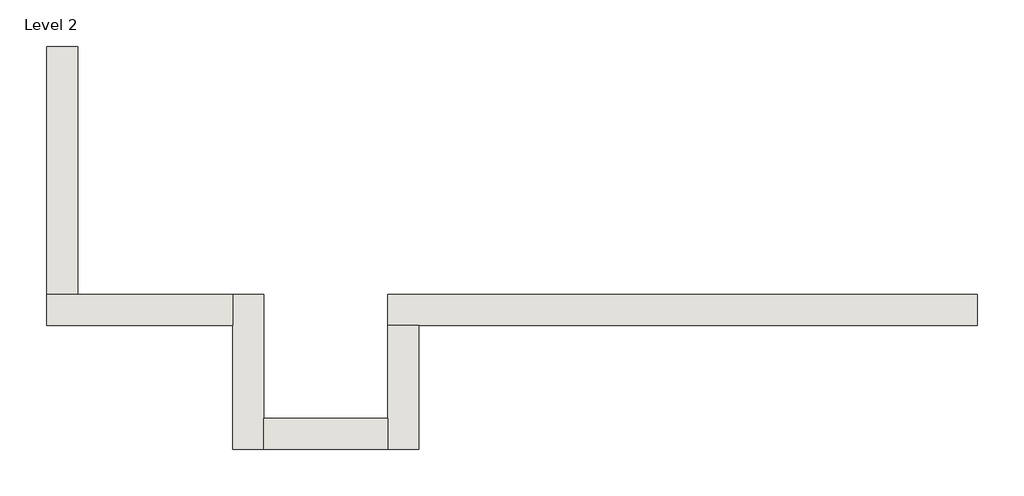
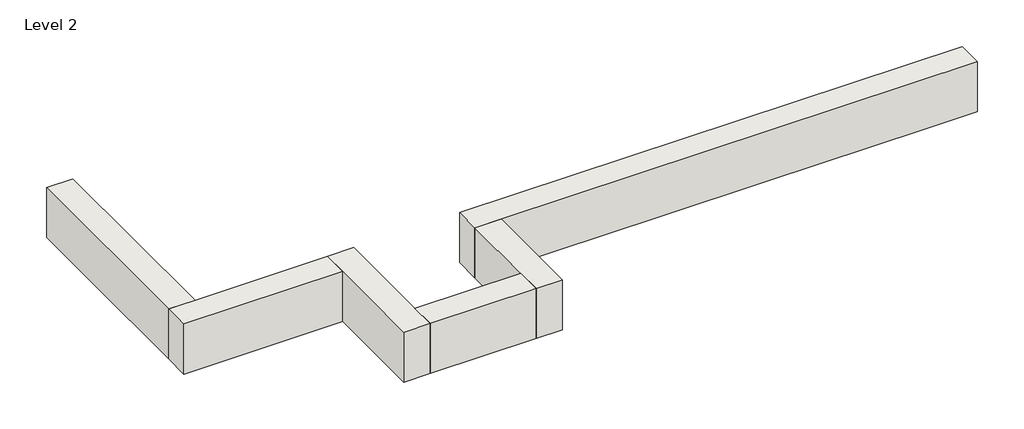
# One storey: 6 walls.
"""IFC4 building model written with IfcOpenShell, lengths in millimetres."""

from ifc_helpers import new_model, si_unit, frame, origin, place, context, project, spatial, polyline, outline, extrude, faceted_brep, element, save

model = new_model("IFC4")

# Units and contexts
model_context = context("Model", 3, world=origin())
ifc_project = project(units=[si_unit("LENGTHUNIT", "METRE", prefix="MILLI")], contexts=[model_context])

# Site, building, storey
site = spatial("IfcSite", under=ifc_project)
building = spatial("IfcBuilding", under=site)
storey = spatial("IfcBuildingStorey", under=building, Name="Level 2", Elevation=3048.0)

# Walls
placement = place(None, origin())
element("IfcWall", 1, ObjectType="Generic - 12\" Brick", at=placement, inside=storey, context=model_context, shape_type="Brep", body=[
    faceted_brep([(7315.157857, 1523.9976187, 3048.0), (6705.557857, 1523.9976187, 3048.0), (4876.757857, 1523.9976187, 3048.0), (3657.557857, 1523.9976187, 3048.0), (1523.9602383, 1523.9976187, 3048.0), (1523.9602383, 1523.9976187, 3657.6), (7315.157857, 1523.9976187, 3657.6), (7315.157857, 1219.1976187, 3048.0), (7315.157857, 1219.1976187, 3657.6), (1828.7602383, 1219.1976187, 3657.6), (1523.9602383, 1219.1976187, 3657.6), (1523.9602383, 1219.1976187, 3048.0), (1828.7602383, 1219.1976187, 3048.0), (3657.557857, 1219.1976187, 3048.0), (4876.757857, 1219.1976187, 3048.0), (6705.557857, 1219.1976187, 3048.0)], [[[0, 1, 2, 3, 4, 5, 6]], [[7, 8, 9, 10, 11, 12, 13, 14, 15]], [[4, 3, 2, 1, 0, 7, 15, 14, 13, 12, 11]], [[6, 5, 10, 9, 8]], [[0, 6, 8, 7]], [[5, 4, 11, 10]]]),
])
element("IfcWall", 2, ObjectType="Generic - 12\" Brick", at=placement, inside=storey, context=model_context, shape_type="Brep", body=[
    faceted_brep([(1523.9602383, 1219.1976187, 3048.0), (1523.9602383, 304.8, 3048.0), (1523.9602383, 0.0, 3048.0), (1523.9602383, 0.0, 3657.6), (1523.9602383, 304.8, 3657.6), (1523.9602383, 1219.1976187, 3657.6), (1828.7602383, 1219.1976187, 3048.0), (1828.7602383, 1219.1976187, 3657.6), (1828.7602383, 0.0, 3657.6), (1828.7602383, 0.0, 3048.0)], [[[0, 1, 2, 3, 4, 5]], [[6, 7, 8, 9]], [[2, 1, 0, 6, 9]], [[5, 4, 3, 8, 7]], [[0, 5, 7, 6]], [[3, 2, 9, 8]]]),
])
element("IfcWall", 3, ObjectType="Generic - 12\" Brick", at=placement, inside=storey, context=model_context, shape_type="SweptSolid", body=[
    extrude(outline(polyline([(304.757857, 304.8), (1523.9602383, 304.8), (1523.9602383, 0.0), (304.757857, 0.0), (304.757857, 304.8)])), frame((0.0, 0.0, 3048.0), z_axis=(0.0, 0.0, 1.0), x_axis=(1.0, 0.0, 0.0)), (0.0, 0.0, 1.0), 609.6),
])
element("IfcWall", 4, ObjectType="Generic - 12\" Brick", at=placement, inside=storey, context=model_context, shape_type="Brep", body=[
    faceted_brep([(304.757857, 0.0, 3048.0), (304.757857, 304.8, 3048.0), (304.757857, 1523.9976187, 3048.0), (304.757857, 1523.9976187, 3657.6), (304.757857, 304.8, 3657.6), (304.757857, 0.0, 3657.6), (-0.042143, 0.0, 3048.0), (-0.042143, 0.0, 3657.6), (-0.042143, 1219.1976187, 3657.6), (-0.042143, 1523.9976187, 3657.6), (-0.042143, 1523.9976187, 3048.0), (-0.042143, 1219.1976187, 3048.0)], [[[0, 1, 2, 3, 4, 5]], [[6, 7, 8, 9, 10, 11]], [[2, 1, 0, 6, 11, 10]], [[5, 4, 3, 9, 8, 7]], [[0, 5, 7, 6]], [[3, 2, 10, 9]]]),
])
element("IfcWall", 5, ObjectType="Generic - 12\" Brick", at=placement, inside=storey, context=model_context, shape_type="Brep", body=[
    faceted_brep([(-0.042143, 1523.9976187, 3048.0), (-1524.010393, 1523.9976187, 3048.0), (-1828.810393, 1523.9976187, 3048.0), (-1828.810393, 1523.9976187, 3657.6), (-1524.010393, 1523.9976187, 3657.6), (-0.042143, 1523.9976187, 3657.6), (-0.042143, 1219.1976187, 3048.0), (-0.042143, 1219.1976187, 3657.6), (-1828.810393, 1219.1976187, 3657.6), (-1828.810393, 1219.1976187, 3048.0)], [[[0, 1, 2, 3, 4, 5]], [[6, 7, 8, 9]], [[2, 1, 0, 6, 9]], [[5, 4, 3, 8, 7]], [[0, 5, 7, 6]], [[3, 2, 9, 8]]]),
])
element("IfcWall", 6, ObjectType="Generic - 12\" Brick", at=placement, inside=storey, context=model_context, shape_type="Brep", body=[
    faceted_brep([(-1524.010393, 1523.9976187, 3048.0), (-1524.010393, 3047.96825, 3048.0), (-1524.010393, 3962.36825, 3048.0), (-1524.010393, 3962.36825, 3657.6), (-1524.010393, 1523.9976187, 3657.6), (-1828.810393, 1523.9976187, 3048.0), (-1828.810393, 1523.9976187, 3657.6), (-1828.810393, 3962.36825, 3657.6), (-1828.810393, 3962.36825, 3048.0), (-1828.810393, 3047.96825, 3048.0)], [[[0, 1, 2, 3, 4]], [[5, 6, 7, 8, 9]], [[2, 1, 0, 5, 9, 8]], [[3, 2, 8, 7]], [[4, 3, 7, 6]], [[0, 4, 6, 5]]]),
])

save(model, "model.ifc")
